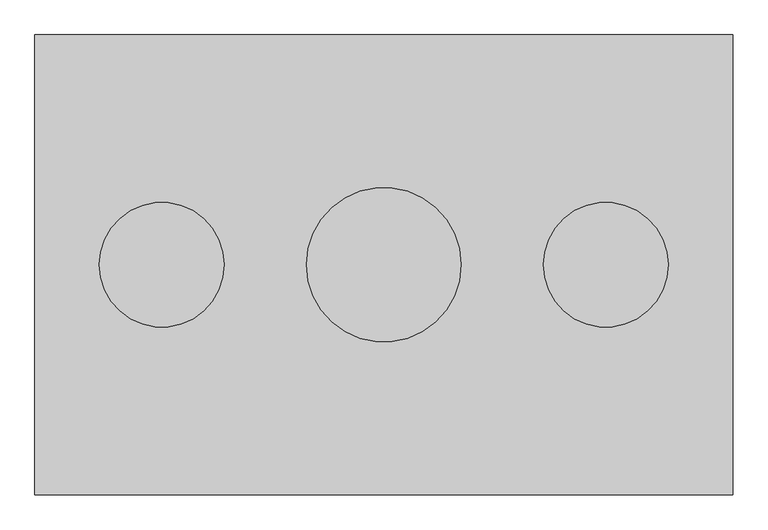
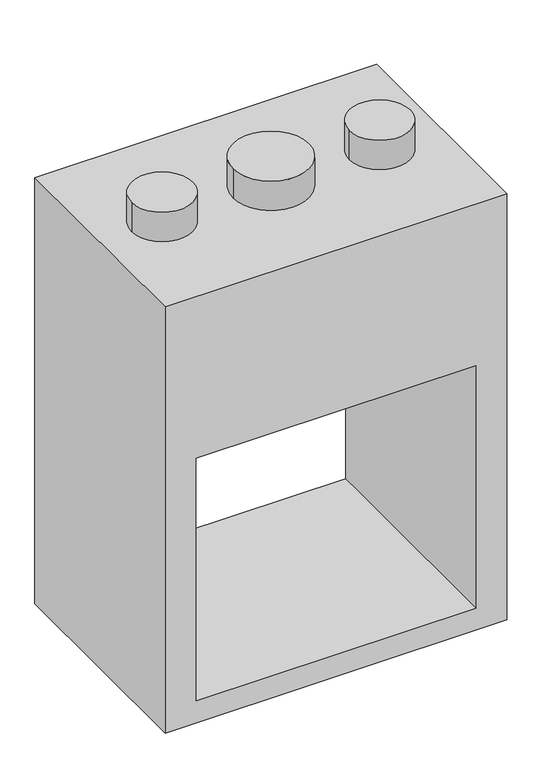
"""IFC4 building model written with IfcOpenShell, lengths in millimetres: proxy geometry."""

from ifc_helpers import new_model, si_unit, point, frame, frame_2d, origin, origin_2d, place, context, project, spatial, polyline, circle_curve, trimmed, segment, composite_curve, outline, extrude, source, transform, mapped, element, save


def generic_models_76ac9af9(model_context):
    return source(origin(), model_context, "Body", "SweptSolid", [
        extrude(outline(polyline([(1473.2, 558.8), (1473.2, -558.8), (0.0, -558.8), (0.0, 558.8), (1473.2, 558.8)]), holes=[polyline([(914.4, -457.2), (914.4, 457.2), (76.2, 457.2), (76.2, -457.2), (914.4, -457.2)])]), frame((0.0, -368.3, 0.0), z_axis=(0.0, 1.0, 0.0), x_axis=(0.0, 0.0, 1.0)), (0.0, 0.0, 1.0), 736.6),
        extrude(outline(composite_curve([segment(trimmed(circle_curve(frame_2d((-355.6, 0.0)), 100.0125), [point((-455.6125, 0.0))], [point((-255.5875, 0.0))], False, "CARTESIAN"), True, "CONTINUOUS"), segment(trimmed(circle_curve(frame_2d((-355.6, 0.0)), 100.0125), [point((-255.5875, 0.0))], [point((-455.6125, 0.0))], False, "CARTESIAN"), True, "CONTINUOUS")], self_intersect=False)), frame((0.0, 0.0, 1473.2), z_axis=(0.0, 0.0, 1.0), x_axis=(1.0, 0.0, 0.0)), (0.0, 0.0, 1.0), 101.6),
        extrude(outline(composite_curve([segment(trimmed(circle_curve(origin_2d(), 123.825), [point((-123.825, 0.0))], [point((123.825, 0.0))], False, "CARTESIAN"), True, "CONTINUOUS"), segment(trimmed(circle_curve(origin_2d(), 123.825), [point((123.825, 0.0))], [point((-123.825, 0.0))], False, "CARTESIAN"), True, "CONTINUOUS")], self_intersect=False)), frame((0.0, 0.0, 1473.2), z_axis=(0.0, 0.0, 1.0), x_axis=(1.0, 0.0, 0.0)), (0.0, 0.0, 1.0), 101.6),
        extrude(outline(composite_curve([segment(trimmed(circle_curve(frame_2d((355.6, 0.0)), 100.0125), [point((255.5875, 0.0))], [point((455.6125, 0.0))], False, "CARTESIAN"), True, "CONTINUOUS"), segment(trimmed(circle_curve(frame_2d((355.6, 0.0)), 100.0125), [point((455.6125, 0.0))], [point((255.5875, 0.0))], False, "CARTESIAN"), True, "CONTINUOUS")], self_intersect=False)), frame((0.0, 0.0, 1473.2), z_axis=(0.0, 0.0, 1.0), x_axis=(1.0, 0.0, 0.0)), (0.0, 0.0, 1.0), 101.6),
    ])


if __name__ == "__main__":
    model = new_model("IFC4")
    model_context = context("Model", 3, world=origin())
    ifc_project = project(units=[si_unit("LENGTHUNIT", "METRE", prefix="MILLI")], contexts=[model_context])
    site = spatial("IfcSite", under=ifc_project)
    building = spatial("IfcBuilding", under=site)
    placement = place(None, origin())
    generic_models_shape = generic_models_76ac9af9(model_context)
    element("IfcBuildingElementProxy", 1, Name="Generic Models", at=placement, inside=building, context=model_context, shape_type="MappedRepresentation", body=[
        mapped(generic_models_shape, transform((0.0, 0.0, 0.0), x_axis=(1.0, 0.0, 0.0), y_axis=(0.0, 1.0, 0.0), z_axis=(0.0, 0.0, 1.0))),
    ])
    save(model, "model.ifc")
